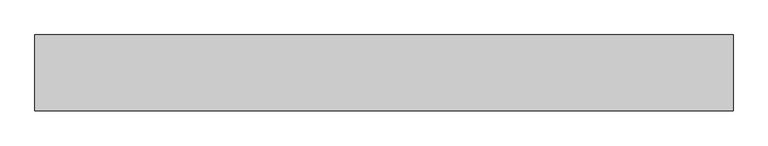
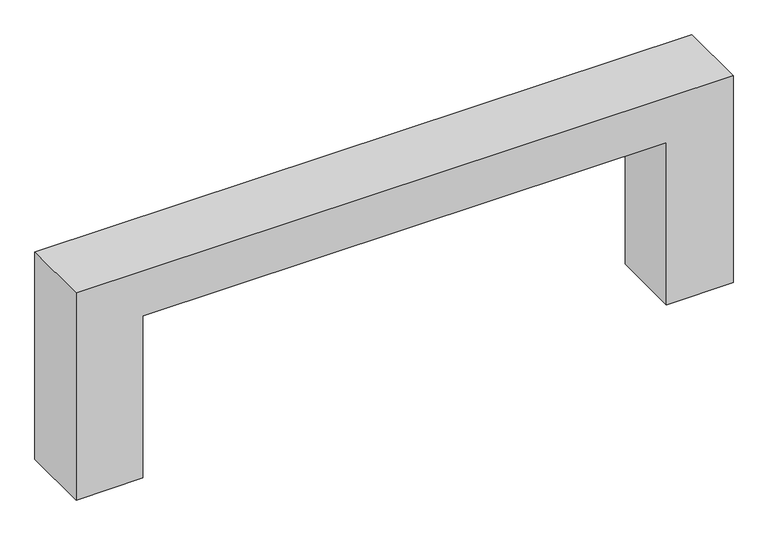
"""IFC4 building model written with IfcOpenShell, lengths in millimetres: proxy geometry."""

from ifc_helpers import new_model, si_unit, frame, origin, place, context, project, spatial, polyline, outline, extrude, source, transform, mapped, element, save


def generic_models_1324edb1(model_context):
    return source(origin(), model_context, "Body", "SweptSolid", [
        extrude(outline(polyline([(4600.0, -15545.9784025), (4600.0, -29345.9784025), (0.0, -29345.9784025), (0.0, -27945.9784025), (3600.0, -27945.9784025), (3600.0, -16945.9784025), (0.0, -16945.9784025), (0.0, -15545.9784025), (4600.0, -15545.9784025)])), frame((0.0, -5050.3131013, 0.0), z_axis=(0.0, 1.0, 0.0), x_axis=(0.0, 0.0, 1.0)), (0.0, 0.0, 1.0), 1500.0),
    ])


if __name__ == "__main__":
    model = new_model("IFC4")
    model_context = context("Model", 3, world=origin())
    ifc_project = project(units=[si_unit("LENGTHUNIT", "METRE", prefix="MILLI")], contexts=[model_context])
    site = spatial("IfcSite", under=ifc_project)
    building = spatial("IfcBuilding", under=site)
    placement = place(None, origin())
    generic_models_shape = generic_models_1324edb1(model_context)
    element("IfcBuildingElementProxy", 1, Name="Generic Models", at=placement, inside=building, context=model_context, shape_type="MappedRepresentation", body=[
        mapped(generic_models_shape, transform((0.0, 0.0, 0.0), x_axis=(1.0, 0.0, 0.0), y_axis=(0.0, 1.0, 0.0), z_axis=(0.0, 0.0, 1.0))),
    ])
    save(model, "model.ifc")
